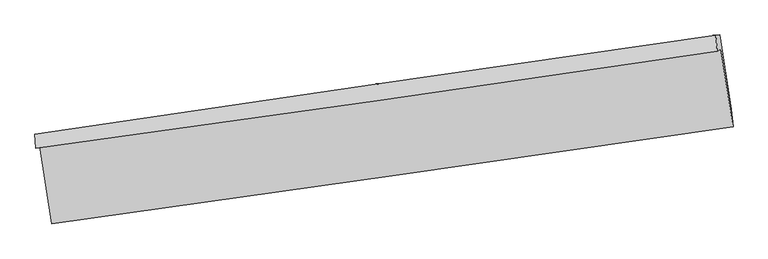
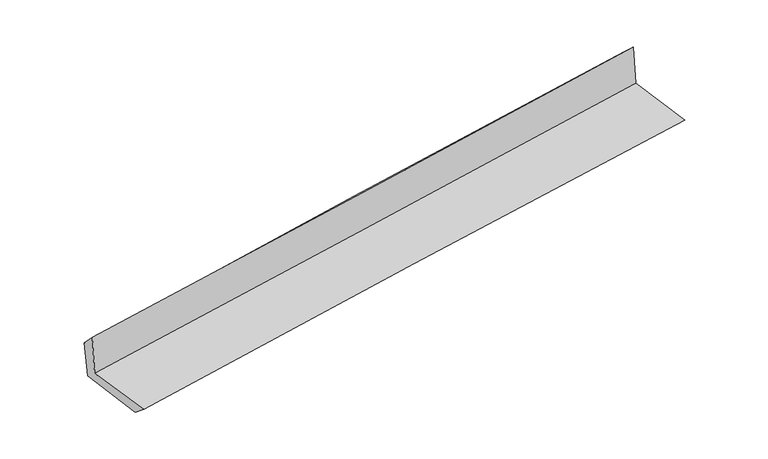
"""IFC4 building model written with IfcOpenShell, lengths in millimetres: proxy geometry."""

from ifc_helpers import new_model, si_unit, frame, origin, place, context, project, spatial, source, transform, mapped, element, save
from ifc_brep_helpers import plane_surface, spline_curve, spline_surface, advanced_brep


def generic_models_dcdfa457(model_context):
    return source(origin(), model_context, "Body", "AdvancedBrep", [
        advanced_brep(
        [(-3008.5727351, -1907.345057, 1633.9187847), (-2902.4737544, -2584.0134995, 1619.8727435), (3062.1480186, -1737.5697478, 2120.3799633), (2955.5715042, -1059.6108295, 2137.630242), (-3040.7833374, -1926.3459016, 2039.8368898), (2922.6665614, -1073.5286436, 2542.4685281), (-3049.1532517, -1800.7717795, 1911.7438424), (2912.1019669, -935.5111659, 2417.4465729), (-3017.3002116, -1802.4605472, 1546.9815555), (2943.1890343, -932.4364892, 2053.0035048), (-2913.0873091, -2459.0360412, 1518.753253), (3047.3117016, -1584.283518, 2017.354755)],
        [
            (0, 1),
            (1, 2, spline_curve(3, [(-2902.4737544, -2584.0134995, 1619.8727435), (-1909.066500616, -2444.955484221, 1714.841163434), (-915.306940034, -2304.888904969, 1804.034605733), (1072.900329601, -2022.74095408, 1970.870154277), (2067.34802632, -1880.659616612, 2048.51245198), (3062.1480186, -1737.5697478, 2120.3799633)], [4, 2, 4], [0.0, 9.916713390550207, 19.833262515025346])),
            (2, 3),
            (3, 0, spline_curve(3, [(2955.5715042, -1059.6108295, 2137.630242), (1962.020381954, -1205.443518617, 2056.251615039), (968.236919044, -1349.003815766, 1973.58670541), (-1019.811152959, -1631.581966646, 1805.682928752), (-2014.075770043, -1770.599745557, 1720.444019653), (-3008.5727351, -1907.345057, 1633.9187847)], [4, 2, 4], [0.0, 9.91654912447514, 19.833262515025346])),
            (4, 0),
            (3, 5),
            (5, 4, spline_curve(3, [(2922.6665614, -1073.5286436, 2542.4685281), (1929.446946193, -1221.834974713, 2461.68919091), (935.88709933, -1367.055682127, 2379.41391205), (-1051.929522528, -1651.328203918, 2211.870081893), (-2046.186308239, -1790.379915619, 2126.60148158), (-3040.7833374, -1926.3459016, 2039.8368898)], [4, 2, 4], [0.0, 9.916445164756274, 19.833054593865537])),
            (6, 4),
            (5, 7),
            (7, 6, spline_curve(3, [(2912.1019669, -935.5111659, 2417.4465729), (1917.799028111, -1078.534174055, 2339.720277802), (923.880401583, -1222.150127176, 2258.715611956), (-1063.204683923, -1510.570311821, 2090.148143909), (-2056.371130276, -1655.374563533, 2002.585232711), (-3049.1532517, -1800.7717795, 1911.7438424)], [4, 2, 4], [0.0, 9.91626500850827, 19.832694278385272])),
            (8, 6),
            (7, 9),
            (9, 8, spline_curve(3, [(2943.1890343, -932.4364892, 2053.0035048), (1949.053179299, -1071.039297794, 1965.437370411), (955.281925636, -1212.842080115, 1879.486143373), (-1031.547835261, -1502.849993233, 1710.812106609), (-2024.606330012, -1651.055230559, 1628.089350825), (-3017.3002116, -1802.4605472, 1546.9815555)], [4, 2, 4], [0.0, 9.91610183867247, 19.832367936010787])),
            (10, 8),
            (9, 11),
            (11, 10, spline_curve(3, [(3047.3117016, -1584.283518, 2017.354755), (2055.106314955, -1737.193977249, 1933.104645215), (1062.307822616, -1886.544675914, 1849.429804286), (-924.491827792, -2178.12896849, 1683.229284783), (-1918.493005855, -2320.36244381, 1600.703624819), (-2913.0873091, -2459.0360412, 1518.753253)], [4, 2, 4], [0.0, 9.916025841622544, 19.832215940652056])),
            (1, 10),
            (11, 2),
        ],
        [
            spline_surface(3, 3, [[(-3008.5727351, -1907.345057, 1633.9187847), (-2014.075770005, -1770.599745479, 1720.444019604), (-1019.81115299, -1631.581966765, 1805.682928828), (968.236919075, -1349.003815647, 1973.586705334), (1962.020381834, -1205.443518528, 2056.251615169), (2955.5715042, -1059.6108295, 2137.630242)], [(-2973.20640821, -2132.901204532, 1629.236770965), (-1979.072680268, -1995.384991794, 1718.576400829), (-984.976415279, -1856.017612804, 1805.133487804), (1003.124722551, -1573.582861833, 1972.681188346), (1997.129596643, -1430.515551179, 2053.671894032), (2991.097009014, -1285.5971356, 2131.880149075)], [(-2937.84008129, -2358.457351968, 1624.554757235), (-1944.069590502, -2220.170238013, 1716.708782059), (-950.141677607, -2080.453258824, 1804.584046722), (1038.012525987, -1798.161908, 1971.775671299), (2032.23881141, -1655.587583828, 2051.092172971), (3026.622513786, -1511.5834417, 2126.130056225)], [(-2902.4737544, -2584.0134995, 1619.8727435), (-1909.066500765, -2444.955484327, 1714.841163284), (-915.306939896, -2304.888904863, 1804.034605698), (1072.900329462, -2022.740954186, 1970.870154311), (2067.348026219, -1880.659616479, 2048.512451835), (3062.1480186, -1737.5697478, 2120.3799633)]], [4, 4], [4, 2, 4], [0.0, 2.2362106234773327], [0.0, 9.916713390550207, 19.833262515025346]),
            spline_surface(3, 3, [[(-3040.7833374, -1926.3459016, 2039.8368898), (-2046.186308321, -1790.379915763, 2126.601481708), (-1051.929522437, -1651.328203801, 2211.870082036), (935.887099239, -1367.055682244, 2379.413911907), (1929.446946259, -1221.834974867, 2461.689191016), (2922.6665614, -1073.5286436, 2542.4685281)], [(-3030.046469956, -1920.012286719, 1904.530854761), (-2035.482795539, -1783.786525655, 1991.215661001), (-1041.223399294, -1644.746124785, 2076.474364296), (946.670372512, -1361.038393374, 2244.138176379), (1940.30475811, -1216.371156071, 2326.543332417), (2933.634875659, -1068.889372217, 2407.52243275)], [(-3019.309602544, -1913.678671881, 1769.224819739), (-2024.779282787, -1777.193135588, 1855.829840311), (-1030.517276134, -1638.164045781, 1941.078646568), (957.453645802, -1355.021104517, 2108.862440862), (1951.162569984, -1210.907337324, 2191.397473768), (2944.603189941, -1064.250100883, 2272.57633735)], [(-3008.5727351, -1907.345057, 1633.9187847), (-2014.075770005, -1770.599745479, 1720.444019604), (-1019.81115299, -1631.581966765, 1805.682928828), (968.236919075, -1349.003815647, 1973.586705334), (1962.020381834, -1205.443518528, 2056.251615169), (2955.5715042, -1059.6108295, 2137.630242)]], [4, 4], [4, 2, 4], [0.0, 1.3376738814838913], [0.0, 9.916609429109263, 19.833054593865537]),
            spline_surface(3, 3, [[(-3049.1532517, -1800.7717795, 1911.7438424), (-2056.371130436, -1655.374563402, 2002.585232664), (-1063.204683979, -1510.570311955, 2090.148143812), (923.88040164, -1222.150127043, 2258.715612053), (1917.799028009, -1078.534174003, 2339.720277699), (2912.1019669, -935.5111659, 2417.4465729)], [(-3046.363280268, -1842.629820188, 1954.441524876), (-2052.976189732, -1700.37634751, 2043.923982355), (-1059.446296797, -1557.489609249, 2130.722123207), (927.882634175, -1270.451978788, 2298.948378657), (1921.681667419, -1126.301107638, 2380.376582127), (2915.623498393, -981.516991814, 2459.120557955)], [(-3043.573308832, -1884.487860912, 1997.139207324), (-2049.581249025, -1745.378131655, 2085.262732017), (-1055.68790962, -1604.408906507, 2171.296102641), (931.884866704, -1318.753830498, 2339.181145302), (1925.56430685, -1174.068041232, 2421.032886588), (2919.145029907, -1027.522817686, 2500.794543045)], [(-3040.7833374, -1926.3459016, 2039.8368898), (-2046.186308321, -1790.379915763, 2126.601481708), (-1051.929522437, -1651.328203801, 2211.870082036), (935.887099239, -1367.055682244, 2379.413911907), (1929.446946259, -1221.834974867, 2461.689191016), (2922.6665614, -1073.5286436, 2542.4685281)]], [4, 4], [4, 2, 4], [0.0, 0.6157874949270528], [0.0, 9.916429269877002, 19.832694278385272]),
            spline_surface(3, 3, [[(-3017.3002116, -1802.4605472, 1546.9815555), (-2024.606330014, -1651.055230525, 1628.089350688), (-1031.547835161, -1502.849993337, 1710.812106693), (955.281925537, -1212.842080011, 1879.486143289), (1949.053179346, -1071.039297881, 1965.437370395), (2943.1890343, -932.4364892, 2053.0035048)], [(-3027.91789165, -1801.897624647, 1668.56898445), (-2035.194596838, -1652.495008165, 1752.92131133), (-1042.100118119, -1505.42343287, 1837.257452411), (944.814750886, -1215.944762348, 2005.895966222), (1938.635128919, -1073.53758992, 2090.198339504), (2932.826678519, -933.461381432, 2174.484527508)], [(-3038.53557165, -1801.334702053, 1790.15641345), (-2045.782863612, -1653.934785762, 1877.753272022), (-1052.652401022, -1507.996872422, 1963.702798094), (934.34757629, -1219.047444705, 2132.30578912), (1928.217078437, -1076.035881964, 2214.95930859), (2922.464322681, -934.486273668, 2295.965550192)], [(-3049.1532517, -1800.7717795, 1911.7438424), (-2056.371130436, -1655.374563402, 2002.585232664), (-1063.204683979, -1510.570311955, 2090.148143812), (923.88040164, -1222.150127043, 2258.715612053), (1917.799028009, -1078.534174003, 2339.720277699), (2912.1019669, -935.5111659, 2417.4465729)]], [4, 4], [4, 2, 4], [0.0, 1.2489704953529992], [0.0, 9.916266097338317, 19.832367936010787]),
            spline_surface(3, 3, [[(-2913.0873091, -2459.0360412, 1518.753253), (-1918.493005951, -2320.362443866, 1600.70362471), (-924.491827886, -2178.128968368, 1683.229284668), (1062.30782271, -1886.544676036, 1849.4298044), (2055.106314853, -1737.193977128, 1933.104645095), (3047.3117016, -1584.283518, 2017.354755)], [(-2947.824943258, -2240.177543204, 1528.162687168), (-1953.864113963, -2097.260039423, 1609.832200037), (-960.177163629, -1953.035976707, 1692.423558688), (1026.632523668, -1661.977144044, 1859.448584041), (2019.755269666, -1515.142417374, 1943.882220184), (3012.604145815, -1367.001175061, 2029.237671589)], [(-2982.562577442, -2021.319045196, 1537.572121332), (-1989.235222002, -1874.157634968, 1618.960775361), (-995.862499418, -1727.942984998, 1701.617832673), (990.957224579, -1437.409612003, 1869.467363648), (1984.404224533, -1293.090857636, 1954.659795306), (2977.896590085, -1149.718832139, 2041.120588211)], [(-3017.3002116, -1802.4605472, 1546.9815555), (-2024.606330014, -1651.055230525, 1628.089350688), (-1031.547835161, -1502.849993337, 1710.812106693), (955.281925537, -1212.842080011, 1879.486143289), (1949.053179346, -1071.039297881, 1965.437370395), (2943.1890343, -932.4364892, 2053.0035048)]], [4, 4], [4, 2, 4], [0.0, 2.242583473703287], [0.0, 9.916190099029512, 19.832215940652056]),
            spline_surface(3, 3, [[(-2902.4737544, -2584.0134995, 1619.8727435), (-1909.066500765, -2444.955484327, 1714.841163284), (-915.306939896, -2304.888904863, 1804.034605698), (1072.900329462, -2022.740954186, 1970.870154311), (2067.348026219, -1880.659616479, 2048.512451835), (3062.1480186, -1737.5697478, 2120.3799633)], [(-2906.011605959, -2542.354346709, 1586.16624668), (-1912.208669153, -2403.424470816, 1676.795317106), (-918.368569233, -2262.635592674, 1763.76616533), (1069.369493872, -1977.342194778, 1930.390037649), (2063.267455764, -1832.837736705, 2010.043182945), (3057.2025796, -1686.474337876, 2086.038227223)], [(-2909.549457541, -2500.695193991, 1552.45974982), (-1915.350837564, -2361.893457377, 1638.749470888), (-921.430198549, -2220.382280557, 1723.497725037), (1065.838658301, -1931.943435443, 1889.909921062), (2059.186885308, -1785.015856903, 1971.573913985), (3052.2571406, -1635.378927924, 2051.696491077)], [(-2913.0873091, -2459.0360412, 1518.753253), (-1918.493005951, -2320.362443866, 1600.70362471), (-924.491827886, -2178.128968368, 1683.229284668), (1062.30782271, -1886.544676036, 1849.4298044), (2055.106314853, -1737.193977128, 1933.104645095), (3047.3117016, -1584.283518, 2017.354755)]], [4, 4], [4, 2, 4], [0.0, 0.5873986125711246], [0.0, 9.916447601800073, 19.832730941927757]),
            plane_surface(frame((2973.8314645, -1220.4900656, 2214.7139277), z_axis=(0.9846004621987093, 0.15261143379230693, 0.08527414680865704), x_axis=(-0.08498855517014405, -0.008405821205325677, 0.9963464696881079))),
            plane_surface(frame((-2988.5617666, -2079.995471, 1711.8511781), z_axis=(-0.9846004621988427, -0.15261143379336028, -0.08527414680523293), x_axis=(-0.15487095889536964, 0.9877219356560045, 0.02050277822111985))),
        ],
        [
            (0, [[1, 2, 3, 4]]),
            (1, [[5, -4, 6, 7]]),
            (2, [[8, -7, 9, 10]]),
            (3, [[11, -10, 12, 13]]),
            (4, [[14, -13, 15, 16]]),
            (5, [[17, -16, 18, -2]]),
            (6, [[-12, -9, -6, -3, -18, -15]]),
            (7, [[-1, -5, -8, -11, -14, -17]]),
        ],
    ),
    ])


if __name__ == "__main__":
    model = new_model("IFC4")
    model_context = context("Model", 3, world=origin())
    ifc_project = project(units=[si_unit("LENGTHUNIT", "METRE", prefix="MILLI")], contexts=[model_context])
    site = spatial("IfcSite", under=ifc_project)
    building = spatial("IfcBuilding", under=site)
    placement = place(None, origin())
    generic_models_shape = generic_models_dcdfa457(model_context)
    element("IfcBuildingElementProxy", 1, Name="Generic Models", at=placement, inside=building, context=model_context, shape_type="MappedRepresentation", body=[
        mapped(generic_models_shape, transform((0.0, 0.0, 0.0), x_axis=(1.0, 0.0, 0.0), y_axis=(0.0, 1.0, 0.0), z_axis=(0.0, 0.0, 1.0))),
    ])
    save(model, "model.ifc")
